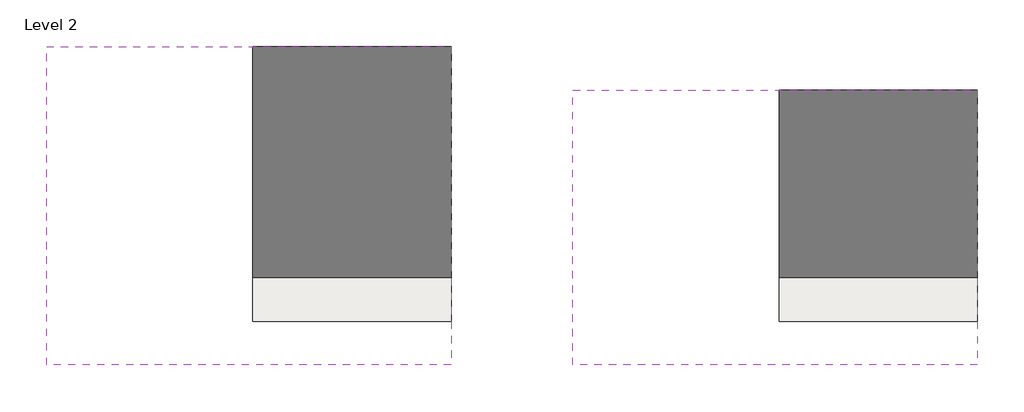
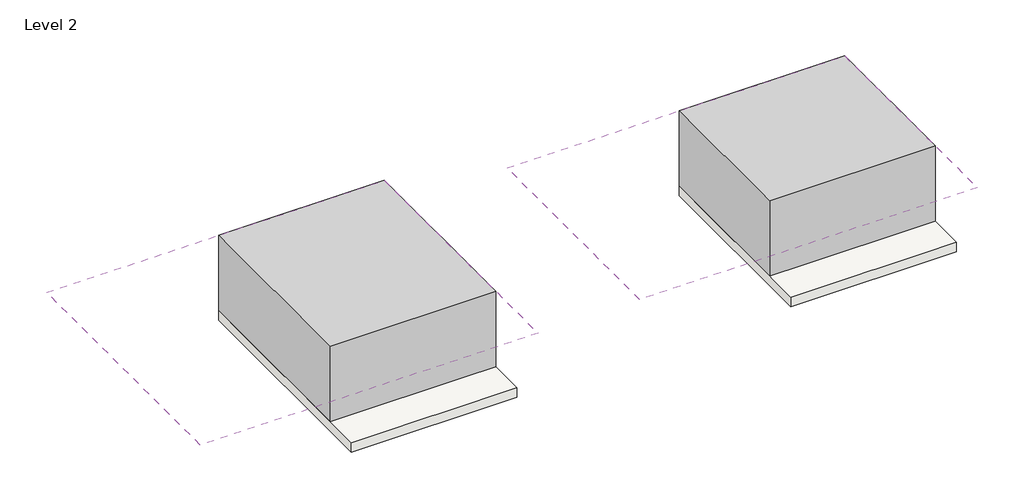
# One storey: 2 proxies, 2 roofs, 2 slabs.
"""IFC4 building model written with IfcOpenShell, lengths in millimetres."""

import ifcopenshell
import ifcopenshell.guid

model = None  # the IFC model being written
_history = None  # IfcOwnerHistory: only IFC2X3 demands one
_inside = {}  # id of a spatial element -> (the spatial element, [elements in it])
_under = {}  # id of a project, library or spatial element -> (it, [spatial elements below it])
_declared = {}  # id of a project -> (the project, [libraries it declares])
_typed = {}  # id of a type object -> (the type object, [elements of that type])
_made_of = {}  # id of a material, layer set ... -> (it, [elements and type objects made of it])


def new_model(schema):
    """Start an empty IFC model of exactly this schema.

    Asked for "IFC4X3", IfcOpenShell would pick the latest addendum, in which some entities
    have other attributes; the version numbers below select the first issue.
    IFC2X3 requires an IfcOwnerHistory on every rooted entity: one is made here for all.
    """
    global model, _history
    if schema == "IFC4X3":
        model = ifcopenshell.file(schema_version=(4, 3, 0, 0))
    else:
        model = ifcopenshell.file(schema=schema)
    _inside.clear()
    _under.clear()
    _declared.clear()
    _typed.clear()
    _made_of.clear()
    _history = None
    if model.schema == "IFC2X3":
        org = make("IfcOrganization", Name="unknown")
        user = make(
            "IfcPersonAndOrganization",
            ThePerson=make("IfcPerson", FamilyName="unknown"),
            TheOrganization=org,
        )
        app = make(
            "IfcApplication",
            ApplicationDeveloper=org,
            Version="unknown",
            ApplicationFullName="unknown",
            ApplicationIdentifier="unknown",
        )
        _history = make(
            "IfcOwnerHistory",
            OwningUser=user,
            OwningApplication=app,
            ChangeAction="ADDED",
            CreationDate=0,
        )
    return model


def make(cls, **values):
    """One entity of the class cls with the attributes given. An attribute that is None is left unset."""
    return model.create_entity(
        cls, **{name: value for name, value in values.items() if value is not None}
    )


def rooted(cls, **values):
    """An entity with a GlobalId (a new one), such as an element, a storey or a relation."""
    return make(cls, GlobalId=ifcopenshell.guid.new(), OwnerHistory=_history, **values)


def si_unit(unit_type, name, prefix=None):
    """IfcSIUnit, for example si_unit("LENGTHUNIT", "METRE", prefix="MILLI")."""
    return make("IfcSIUnit", UnitType=unit_type, Prefix=prefix, Name=name)


def assignment(units):
    """IfcUnitAssignment: the units of a project."""
    return None if units is None else make("IfcUnitAssignment", Units=units)


def point(xyz):
    """IfcCartesianPoint."""
    return None if xyz is None else make("IfcCartesianPoint", Coordinates=xyz)


def direction(xyz):
    """IfcDirection."""
    return None if xyz is None else make("IfcDirection", DirectionRatios=xyz)


def frame(location, z_axis=None, x_axis=None):
    """IfcAxis2Placement3D, a coordinate frame: its origin and axes. An axis left out is left unset."""
    return make(
        "IfcAxis2Placement3D",
        Location=point(location),
        Axis=direction(z_axis),
        RefDirection=direction(x_axis),
    )


def origin():
    """The frame at (0, 0, 0) with its axes left unset."""
    return frame((0.0, 0.0, 0.0))


def place(relative_to, where):
    """IfcLocalPlacement: puts the frame where relative to a parent placement (None: the world)."""
    return make(
        "IfcLocalPlacement", PlacementRelTo=relative_to, RelativePlacement=where
    )


def context(
    kind, dimensions, precision=None, world=None, true_north=None, identifier=None
):
    """IfcGeometricRepresentationContext, for example the 3D "Model" context."""
    return make(
        "IfcGeometricRepresentationContext",
        ContextIdentifier=identifier,
        ContextType=kind,
        CoordinateSpaceDimension=dimensions,
        Precision=precision,
        WorldCoordinateSystem=world,
        TrueNorth=true_north,
    )


def project(units=None, contexts=None):
    """IfcProject with its units and contexts."""
    return rooted(
        "IfcProject",
        Name="project",
        RepresentationContexts=contexts,
        UnitsInContext=assignment(units),
    )


def spatial(cls, under=None, at=None, **own):
    """A site, building, storey or space (cls), placed at a placement, below another one or the project."""
    s = rooted(cls, ObjectPlacement=at, **own)
    if under is not None:
        _under.setdefault(under.id(), (under, []))[1].append(s)
    return s


def polyline(points):
    """IfcPolyline through the points."""
    return make("IfcPolyline", Points=[point(p) for p in points])


def outline(outer, holes=None, kind="AREA"):
    """IfcArbitraryClosedProfileDef: a profile drawn as a closed curve; with holes, ...WithVoids."""
    if holes is None:
        return make("IfcArbitraryClosedProfileDef", ProfileType=kind, OuterCurve=outer)
    return make(
        "IfcArbitraryProfileDefWithVoids",
        ProfileType=kind,
        OuterCurve=outer,
        InnerCurves=holes,
    )


def extrude(swept, where, along, depth):
    """IfcExtrudedAreaSolid: the profile swept, set in the frame where, extruded along a direction by depth."""
    return make(
        "IfcExtrudedAreaSolid",
        SweptArea=swept,
        Position=where,
        ExtrudedDirection=direction(along),
        Depth=depth,
    )


def shape(context_of_items, identifier, shape_type, items):
    """IfcShapeRepresentation: the items that make up one representation, for example the "Body"."""
    return make(
        "IfcShapeRepresentation",
        ContextOfItems=context_of_items,
        RepresentationIdentifier=identifier,
        RepresentationType=shape_type,
        Items=items,
    )


def made_of(thing, what):
    """Note that an element or type object is made of a material, layer set ...; save() writes the relation."""
    if what is not None:
        _made_of.setdefault(what.id(), (what, []))[1].append(thing)
    return thing


def element(
    cls,
    number,
    at=None,
    inside=None,
    cuts=None,
    type_object=None,
    material=None,
    context=None,
    identifier="Body",
    shape_type=None,
    held_by="IfcProductDefinitionShape",
    body=None,
    shapes=None,
    **own,
):
    """One element of the class cls, such as IfcWall. Its Tag is "e" and its number.

    at: its placement. inside: the storey or other place that contains it. cuts: it is an
    opening in that element (IfcRelVoidsElement). A single representation is given by context,
    identifier, shape_type and body (its items); several are given by shapes. held_by: the class
    of the entity that holds the representations. save() writes the other relations.
    """
    e = rooted(cls, Tag="e%d" % number, ObjectPlacement=at, **own)
    if body is not None:
        shapes = [shape(context, identifier, shape_type, body)]
    if shapes is not None:
        e.Representation = make(held_by, Representations=shapes)
    if inside is not None:
        _inside.setdefault(inside.id(), (inside, []))[1].append(e)
    if cuts is not None:
        rooted(
            "IfcRelVoidsElement", RelatingBuildingElement=cuts, RelatedOpeningElement=e
        )
    if type_object is not None:
        _typed.setdefault(type_object.id(), (type_object, []))[1].append(e)
    return made_of(e, material)


def aggregate(whole, parts):
    """IfcRelAggregates: a whole, such as a stair, and the parts it consists of."""
    return rooted("IfcRelAggregates", RelatingObject=whole, RelatedObjects=parts)


def save(model, path):
    """Write the relations noted so far, then the file.

    IfcRelAggregates (storeys below a building ...), IfcRelContainedInSpatialStructure (elements
    in a storey), IfcRelDefinesByType, IfcRelAssociatesMaterial and IfcRelDeclares: one each for
    every whole, place, type object, material and project.
    """
    for whole, parts in _under.values():
        aggregate(whole, parts)
    for where, things in _inside.values():
        rooted(
            "IfcRelContainedInSpatialStructure",
            RelatedElements=things,
            RelatingStructure=where,
        )
    for kind, things in _typed.values():
        rooted("IfcRelDefinesByType", RelatedObjects=things, RelatingType=kind)
    for what, things in _made_of.values():
        rooted("IfcRelAssociatesMaterial", RelatedObjects=things, RelatingMaterial=what)
    for by, libraries in _declared.values():
        rooted("IfcRelDeclares", RelatingContext=by, RelatedDefinitions=libraries)
    model.write(path)


model = new_model("IFC4")

# Units and contexts
model_context = context("Model", 3, world=origin())
ifc_project = project(units=[si_unit("LENGTHUNIT", "METRE", prefix="MILLI")], contexts=[model_context])

# Site, building, storey
site = spatial("IfcSite", under=ifc_project)
building = spatial("IfcBuilding", under=site)
storey = spatial("IfcBuildingStorey", under=building, Name="Level 2", Elevation=3048.0)

# Proxies
placement = place(None, origin())
element("IfcBuildingElementProxy", 1, Name="Mass", at=placement, inside=storey, context=model_context, shape_type="SweptSolid", body=[
    extrude(outline(polyline([(7.7511165, 4769.3346961), (5062.3511165, 4769.3346961), (5062.3511165, -1123.4653039), (7.7511165, -1123.4653039), (7.7511165, 4769.3346961)])), frame((0.0, 0.0, 3048.0), z_axis=(0.0, 0.0, 1.0), x_axis=(1.0, 0.0, 0.0)), (0.0, 0.0, 1.0), 2438.4),
])
element("IfcBuildingElementProxy", 2, Name="Mass", at=placement, inside=storey, context=model_context, shape_type="SweptSolid", body=[
    extrude(outline(polyline([(13418.9511165, 3651.7346961), (18473.5511165, 3651.7346961), (18473.5511165, -1123.4653039), (13418.9511165, -1123.4653039), (13418.9511165, 3651.7346961)])), frame((0.0, 0.0, 3048.0), z_axis=(0.0, 0.0, 1.0), x_axis=(1.0, 0.0, 0.0)), (0.0, 0.0, 1.0), 2438.4),
])

# Roofs
element("IfcRoof", 3, ObjectType="Generic - 12\"", at=placement, inside=storey, context=model_context, shape_type="SweptSolid", body=[
    extrude(outline(polyline([(-5250.0488835, 4769.3346961), (5062.3511165, 4769.3346961), (5062.3511165, -3358.6653039), (-5250.0488835, -3358.6653039), (-5250.0488835, 4769.3346961)])), frame((0.0, 0.0, 5486.4), z_axis=(0.0, 0.0, 1.0), x_axis=(1.0, 0.0, 0.0)), (0.0, 0.0, 1.0), 304.8),
])
element("IfcRoof", 4, ObjectType="Generic - 12\"", at=placement, inside=storey, context=model_context, shape_type="SweptSolid", body=[
    extrude(outline(polyline([(8161.1511165, 3651.7346961), (18473.5511165, 3651.7346961), (18473.5511165, -3358.6653039), (8161.1511165, -3358.6653039), (8161.1511165, 3651.7346961)])), frame((0.0, 0.0, 5486.4), z_axis=(0.0, 0.0, 1.0), x_axis=(1.0, 0.0, 0.0)), (0.0, 0.0, 1.0), 304.8),
])

# Slabs
element("IfcSlab", 5, ObjectType="Generic - 12\"", at=placement, inside=storey, context=model_context, shape_type="SweptSolid", body=[
    extrude(outline(polyline([(5062.3511165, 4769.3346961), (5062.3511165, -2241.0653039), (7.7511165, -2241.0653039), (7.7511165, 4769.3346961), (5062.3511165, 4769.3346961)])), frame((0.0, 0.0, 2743.2), z_axis=(0.0, 0.0, 1.0), x_axis=(1.0, 0.0, 0.0)), (0.0, 0.0, 1.0), 304.8),
])
element("IfcSlab", 6, ObjectType="Generic - 12\"", at=placement, inside=storey, context=model_context, shape_type="SweptSolid", body=[
    extrude(outline(polyline([(18473.5511165, 3651.7346961), (18473.5511165, -2241.0653039), (13418.9511165, -2241.0653039), (13418.9511165, 3651.7346961), (18473.5511165, 3651.7346961)])), frame((0.0, 0.0, 2743.2), z_axis=(0.0, 0.0, 1.0), x_axis=(1.0, 0.0, 0.0)), (0.0, 0.0, 1.0), 304.8),
])

save(model, "model.ifc")
